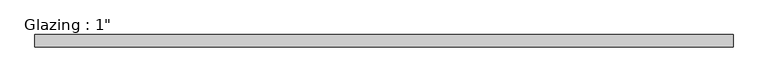
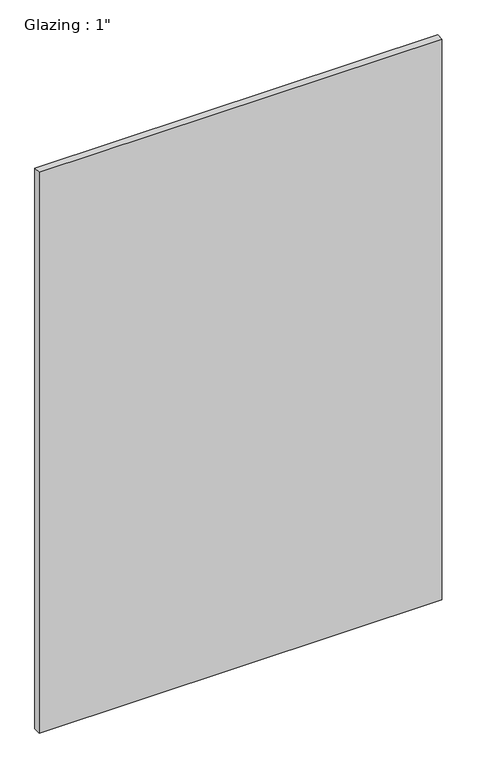
"""IFC4 building model written with IfcOpenShell, lengths in millimetres: plate geometry."""

from ifc_helpers import new_model, si_unit, origin, origin_with_axes, place, context, project, spatial, polyline, outline, extrude, source, transform, mapped, element, save


def plate_e7236d8d(model_context):
    return source(origin(), model_context, "Body", "SweptSolid", [
        extrude(outline(polyline([(713.8074708, -12.7), (-713.8074708, -12.7), (-713.8074708, 12.7), (713.8074708, 12.7), (713.8074708, -12.7)])), origin_with_axes(), (0.0, 0.0, 1.0), 2100.892839),
    ])


if __name__ == "__main__":
    model = new_model("IFC4")
    model_context = context("Model", 3, world=origin())
    ifc_project = project(units=[si_unit("LENGTHUNIT", "METRE", prefix="MILLI")], contexts=[model_context])
    site = spatial("IfcSite", under=ifc_project)
    building = spatial("IfcBuilding", under=site)
    placement = place(None, origin())
    plate_shape = plate_e7236d8d(model_context)
    element("IfcPlate", 1, ObjectType="Glazing : 1\"", at=placement, inside=building, context=model_context, shape_type="MappedRepresentation", body=[
        mapped(plate_shape, transform((0.0, 0.0, 0.0), x_axis=(1.0, 0.0, 0.0), y_axis=(0.0, 1.0, 0.0), z_axis=(0.0, 0.0, 1.0))),
    ])
    save(model, "model.ifc")
